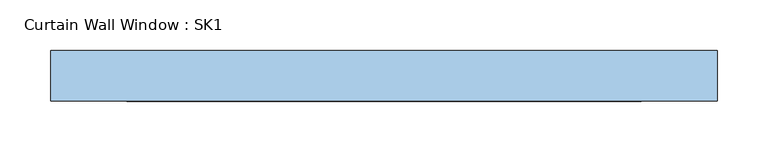
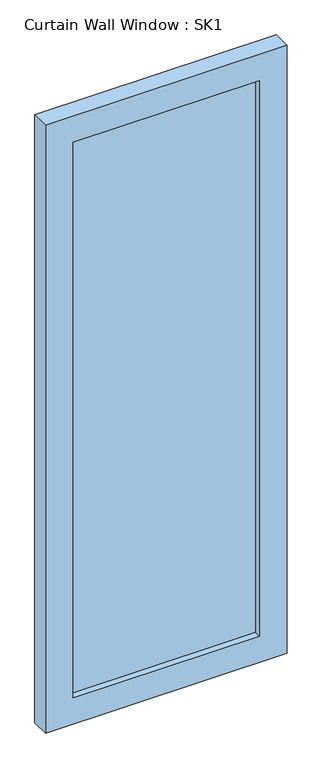
"""IFC4 building model written with IfcOpenShell, lengths in millimetres: window geometry, Curtain Wall Window : SK1."""

from ifc_helpers import new_model, si_unit, frame, origin, place, context, project, spatial, polyline, outline, extrude, source, transform, mapped, element, save


def curtain_wall_window_sk1_6a1cbf4e(model_context):
    return source(origin(), model_context, "Body", "SweptSolid", [
        extrude(outline(polyline([(254.1666667, -44.05), (254.1666667, -56.75), (-254.1666667, -56.75), (-254.1666667, -44.05), (254.1666667, -44.05)])), frame((0.0, 0.0, 75.0), z_axis=(0.0, 0.0, 1.0), x_axis=(1.0, 0.0, 0.0)), (0.0, 0.0, 1.0), 1600.0),
        extrude(outline(polyline([(1750.0, -329.1666667), (0.0, -329.1666667), (0.0, 329.1666667), (1750.0, 329.1666667), (1750.0, -329.1666667)]), holes=[polyline([(1675.0, -254.1666667), (1675.0, 254.1666667), (75.0, 254.1666667), (75.0, -254.1666667), (1675.0, -254.1666667)])]), frame((0.0, -75.0, 0.0), z_axis=(0.0, 1.0, 0.0), x_axis=(0.0, 0.0, 1.0)), (0.0, 0.0, 1.0), 50.0),
    ])


if __name__ == "__main__":
    model = new_model("IFC4")
    model_context = context("Model", 3, world=origin())
    ifc_project = project(units=[si_unit("LENGTHUNIT", "METRE", prefix="MILLI")], contexts=[model_context])
    site = spatial("IfcSite", under=ifc_project)
    building = spatial("IfcBuilding", under=site)
    placement = place(None, origin())
    curtain_wall_window_sk1_shape = curtain_wall_window_sk1_6a1cbf4e(model_context)
    element("IfcWindow", 1, ObjectType="Curtain Wall Window : SK1", at=placement, inside=building, context=model_context, shape_type="MappedRepresentation", body=[
        mapped(curtain_wall_window_sk1_shape, transform((0.0, 0.0, 0.0), x_axis=(1.0, 0.0, 0.0), y_axis=(0.0, 1.0, 0.0), z_axis=(0.0, 0.0, 1.0))),
    ])
    save(model, "model.ifc")
